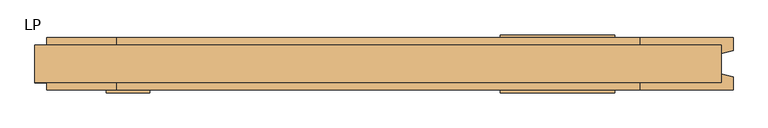
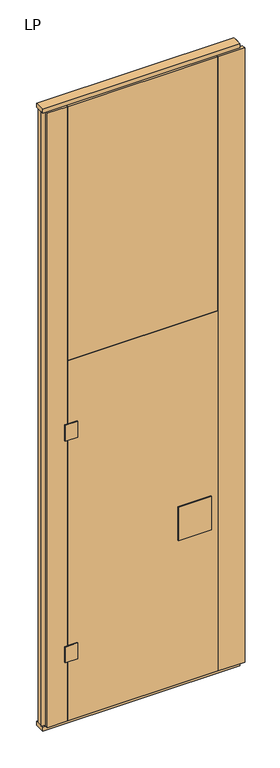
"""IFC4 building model written with IfcOpenShell, lengths in millimetres: door geometry, LP."""

from ifc_helpers import new_model, si_unit, frame, origin, origin_with_axes, place, context, project, spatial, polyline, outline, extrude, source, transform, mapped, element, save


def lp_8d3a2d8d(model_context):
    return source(origin(), model_context, "Body", "SweptSolid", [
        extrude(outline(polyline([(-392.5, -45.0), (-392.5, -50.0), (-467.5, -50.0), (-467.5, -45.0), (-392.5, -45.0)])), frame((0.0, 0.0, 1800.0), z_axis=(0.0, 0.0, 1.0), x_axis=(1.0, 0.0, 0.0)), (0.0, 0.0, 1.0), 100.0),
        extrude(outline(polyline([(-392.5, -45.0), (-392.5, -50.0), (-467.5, -50.0), (-467.5, -45.0), (-392.5, -45.0)])), frame((0.0, 0.0, 400.0), z_axis=(0.0, 0.0, 1.0), x_axis=(1.0, 0.0, 0.0)), (0.0, 0.0, 1.0), 100.0),
        extrude(outline(polyline([(210.0, -50.0), (210.0, -45.0), (407.0, -45.0), (407.0, -50.0), (210.0, -50.0)])), frame((0.0, 0.0, 934.0), z_axis=(0.0, 0.0, 1.0), x_axis=(1.0, 0.0, 0.0)), (0.0, 0.0, 1.0), 212.0),
        extrude(outline(polyline([(210.0, 45.0), (210.0, 50.0), (407.0, 50.0), (407.0, 45.0), (210.0, 45.0)])), frame((0.0, 0.0, 934.0), z_axis=(0.0, 0.0, 1.0), x_axis=(1.0, 0.0, 0.0)), (0.0, 0.0, 1.0), 212.0),
        extrude(outline(polyline([(-450.0, -45.0), (-450.0, 45.0), (450.0, 45.0), (450.0, -45.0), (-450.0, -45.0)])), frame((0.0, 0.0, 25.0), z_axis=(0.0, 0.0, 1.0), x_axis=(1.0, 0.0, 0.0)), (0.0, 0.0, 1.0), 2275.0),
        extrude(outline(polyline([(590.0, 32.0), (590.0, -32.0), (-590.0, -32.0), (-590.0, 32.0), (590.0, 32.0)])), origin_with_axes(), (0.0, 0.0, 1.0), 25.0),
        extrude(outline(polyline([(590.0, 32.0), (590.0, -32.0), (-590.0, -32.0), (-590.0, 32.0), (590.0, 32.0)])), frame((0.0, 0.0, 3902.0), z_axis=(0.0, 0.0, 1.0), x_axis=(1.0, 0.0, 0.0)), (0.0, 0.0, 1.0), 25.0),
        extrude(outline(polyline([(-570.0, -45.0), (-570.0, -22.9993165), (-590.0, -17.6401049), (-590.0, 17.6401049), (-570.0, 22.9993165), (-570.0, 45.0), (-450.0, 45.0), (-450.0, -45.0), (-570.0, -45.0)])), frame((0.0, 0.0, 25.0), z_axis=(0.0, 0.0, 1.0), x_axis=(1.0, 0.0, 0.0)), (0.0, 0.0, 1.0), 3877.0),
        extrude(outline(polyline([(450.0, -45.0), (450.0, 45.0), (609.9999999, 45.0), (609.9999999, 22.9993165), (589.9999999, 17.6401049), (589.9999999, -17.6401049), (609.9999999, -22.9993165), (609.9999999, -45.0), (450.0, -45.0)])), frame((0.0, 0.0, 25.0), z_axis=(0.0, 0.0, 1.0), x_axis=(1.0, 0.0, 0.0)), (0.0, 0.0, 1.0), 3877.0),
        extrude(outline(polyline([(450.0, 45.0), (450.0, -45.0), (-450.0, -45.0), (-450.0, 45.0), (450.0, 45.0)])), frame((0.0, 0.0, 2300.0), z_axis=(0.0, 0.0, 1.0), x_axis=(1.0, 0.0, 0.0)), (0.0, 0.0, 1.0), 1602.0),
    ])


if __name__ == "__main__":
    model = new_model("IFC4")
    model_context = context("Model", 3, world=origin())
    ifc_project = project(units=[si_unit("LENGTHUNIT", "METRE", prefix="MILLI")], contexts=[model_context])
    site = spatial("IfcSite", under=ifc_project)
    building = spatial("IfcBuilding", under=site)
    placement = place(None, origin())
    lp_shape = lp_8d3a2d8d(model_context)
    element("IfcDoor", 1, ObjectType="LP", at=placement, inside=building, context=model_context, shape_type="MappedRepresentation", body=[
        mapped(lp_shape, transform((0.0, 0.0, 0.0), x_axis=(1.0, 0.0, 0.0), y_axis=(0.0, 1.0, 0.0), z_axis=(0.0, 0.0, 1.0))),
    ])
    save(model, "model.ifc")
